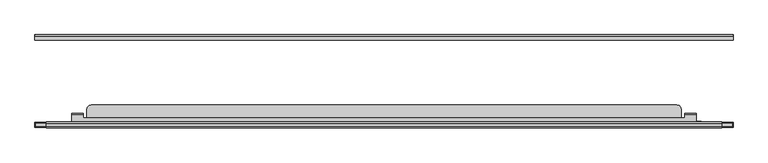
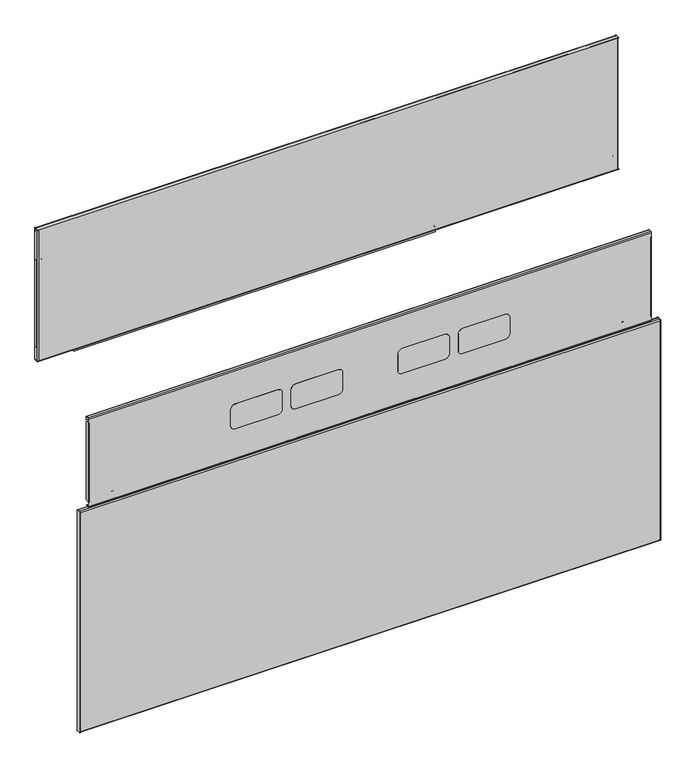
"""IFC4 building model written with IfcOpenShell, lengths in millimetres: furniture geometry."""

import ifcopenshell
import ifcopenshell.guid

model = None  # the IFC model being written
_history = None  # IfcOwnerHistory: only IFC2X3 demands one
_inside = {}  # id of a spatial element -> (the spatial element, [elements in it])
_under = {}  # id of a project, library or spatial element -> (it, [spatial elements below it])
_declared = {}  # id of a project -> (the project, [libraries it declares])
_typed = {}  # id of a type object -> (the type object, [elements of that type])
_made_of = {}  # id of a material, layer set ... -> (it, [elements and type objects made of it])


def new_model(schema):
    """Start an empty IFC model of exactly this schema.

    Asked for "IFC4X3", IfcOpenShell would pick the latest addendum, in which some entities
    have other attributes; the version numbers below select the first issue.
    IFC2X3 requires an IfcOwnerHistory on every rooted entity: one is made here for all.
    """
    global model, _history
    if schema == "IFC4X3":
        model = ifcopenshell.file(schema_version=(4, 3, 0, 0))
    else:
        model = ifcopenshell.file(schema=schema)
    _inside.clear()
    _under.clear()
    _declared.clear()
    _typed.clear()
    _made_of.clear()
    _history = None
    if model.schema == "IFC2X3":
        org = make("IfcOrganization", Name="unknown")
        user = make(
            "IfcPersonAndOrganization",
            ThePerson=make("IfcPerson", FamilyName="unknown"),
            TheOrganization=org,
        )
        app = make(
            "IfcApplication",
            ApplicationDeveloper=org,
            Version="unknown",
            ApplicationFullName="unknown",
            ApplicationIdentifier="unknown",
        )
        _history = make(
            "IfcOwnerHistory",
            OwningUser=user,
            OwningApplication=app,
            ChangeAction="ADDED",
            CreationDate=0,
        )
    return model


def make(cls, **values):
    """One entity of the class cls with the attributes given. An attribute that is None is left unset."""
    return model.create_entity(
        cls, **{name: value for name, value in values.items() if value is not None}
    )


def rooted(cls, **values):
    """An entity with a GlobalId (a new one), such as an element, a storey or a relation."""
    return make(cls, GlobalId=ifcopenshell.guid.new(), OwnerHistory=_history, **values)


def si_unit(unit_type, name, prefix=None):
    """IfcSIUnit, for example si_unit("LENGTHUNIT", "METRE", prefix="MILLI")."""
    return make("IfcSIUnit", UnitType=unit_type, Prefix=prefix, Name=name)


def assignment(units):
    """IfcUnitAssignment: the units of a project."""
    return None if units is None else make("IfcUnitAssignment", Units=units)


def point(xyz):
    """IfcCartesianPoint."""
    return None if xyz is None else make("IfcCartesianPoint", Coordinates=xyz)


def direction(xyz):
    """IfcDirection."""
    return None if xyz is None else make("IfcDirection", DirectionRatios=xyz)


def frame(location, z_axis=None, x_axis=None):
    """IfcAxis2Placement3D, a coordinate frame: its origin and axes. An axis left out is left unset."""
    return make(
        "IfcAxis2Placement3D",
        Location=point(location),
        Axis=direction(z_axis),
        RefDirection=direction(x_axis),
    )


def frame_2d(location, x_axis=None):
    """IfcAxis2Placement2D, a coordinate frame in the plane: its origin and x axis."""
    return make(
        "IfcAxis2Placement2D", Location=point(location), RefDirection=direction(x_axis)
    )


def origin():
    """The frame at (0, 0, 0) with its axes left unset."""
    return frame((0.0, 0.0, 0.0))


def place(relative_to, where):
    """IfcLocalPlacement: puts the frame where relative to a parent placement (None: the world)."""
    return make(
        "IfcLocalPlacement", PlacementRelTo=relative_to, RelativePlacement=where
    )


def context(
    kind, dimensions, precision=None, world=None, true_north=None, identifier=None
):
    """IfcGeometricRepresentationContext, for example the 3D "Model" context."""
    return make(
        "IfcGeometricRepresentationContext",
        ContextIdentifier=identifier,
        ContextType=kind,
        CoordinateSpaceDimension=dimensions,
        Precision=precision,
        WorldCoordinateSystem=world,
        TrueNorth=true_north,
    )


def project(units=None, contexts=None):
    """IfcProject with its units and contexts."""
    return rooted(
        "IfcProject",
        Name="project",
        RepresentationContexts=contexts,
        UnitsInContext=assignment(units),
    )


def spatial(cls, under=None, at=None, **own):
    """A site, building, storey or space (cls), placed at a placement, below another one or the project."""
    s = rooted(cls, ObjectPlacement=at, **own)
    if under is not None:
        _under.setdefault(under.id(), (under, []))[1].append(s)
    return s


def polyline(points):
    """IfcPolyline through the points."""
    return make("IfcPolyline", Points=[point(p) for p in points])


def circle_curve(where, radius):
    """IfcCircle in the frame where."""
    return make("IfcCircle", Position=where, Radius=radius)


def trimmed(basis, trim1, trim2, sense, master):
    """IfcTrimmedCurve: the piece of a basis curve between two trims."""
    return make(
        "IfcTrimmedCurve",
        BasisCurve=basis,
        Trim1=trim1,
        Trim2=trim2,
        SenseAgreement=sense,
        MasterRepresentation=master,
    )


def segment(curve, same_sense, transition):
    """IfcCompositeCurveSegment."""
    return make(
        "IfcCompositeCurveSegment",
        Transition=transition,
        SameSense=same_sense,
        ParentCurve=curve,
    )


def composite_curve(segments, self_intersect=None):
    """IfcCompositeCurve: segments joined end to end."""
    return make("IfcCompositeCurve", Segments=segments, SelfIntersect=self_intersect)


def outline(outer, holes=None, kind="AREA"):
    """IfcArbitraryClosedProfileDef: a profile drawn as a closed curve; with holes, ...WithVoids."""
    if holes is None:
        return make("IfcArbitraryClosedProfileDef", ProfileType=kind, OuterCurve=outer)
    return make(
        "IfcArbitraryProfileDefWithVoids",
        ProfileType=kind,
        OuterCurve=outer,
        InnerCurves=holes,
    )


def extrude(swept, where, along, depth):
    """IfcExtrudedAreaSolid: the profile swept, set in the frame where, extruded along a direction by depth."""
    return make(
        "IfcExtrudedAreaSolid",
        SweptArea=swept,
        Position=where,
        ExtrudedDirection=direction(along),
        Depth=depth,
    )


def shape(context_of_items, identifier, shape_type, items):
    """IfcShapeRepresentation: the items that make up one representation, for example the "Body"."""
    return make(
        "IfcShapeRepresentation",
        ContextOfItems=context_of_items,
        RepresentationIdentifier=identifier,
        RepresentationType=shape_type,
        Items=items,
    )


def source(mapping_origin, context_of_items, identifier, shape_type, items):
    """IfcRepresentationMap: a shape defined once, which mapped items show again and again."""
    return make(
        "IfcRepresentationMap",
        MappingOrigin=mapping_origin,
        MappedRepresentation=shape(context_of_items, identifier, shape_type, items),
    )


def transform(
    local_origin,
    x_axis=None,
    y_axis=None,
    z_axis=None,
    scale=None,
    scale2=None,
    scale3=None,
    uniform=True,
):
    """IfcCartesianTransformationOperator3D, or its non-uniform kind. x_axis, y_axis, z_axis: its Axis1, 2, 3."""
    if uniform:
        return make(
            "IfcCartesianTransformationOperator3D",
            Axis1=direction(x_axis),
            Axis2=direction(y_axis),
            LocalOrigin=point(local_origin),
            Scale=scale,
            Axis3=direction(z_axis),
        )
    return make(
        "IfcCartesianTransformationOperator3DnonUniform",
        Axis1=direction(x_axis),
        Axis2=direction(y_axis),
        LocalOrigin=point(local_origin),
        Scale=scale,
        Axis3=direction(z_axis),
        Scale2=scale2,
        Scale3=scale3,
    )


def mapped(mapping_source, mapping_target):
    """IfcMappedItem: shows the shape of a source again, moved by a transform."""
    return make(
        "IfcMappedItem", MappingSource=mapping_source, MappingTarget=mapping_target
    )


def made_of(thing, what):
    """Note that an element or type object is made of a material, layer set ...; save() writes the relation."""
    if what is not None:
        _made_of.setdefault(what.id(), (what, []))[1].append(thing)
    return thing


def element(
    cls,
    number,
    at=None,
    inside=None,
    cuts=None,
    type_object=None,
    material=None,
    context=None,
    identifier="Body",
    shape_type=None,
    held_by="IfcProductDefinitionShape",
    body=None,
    shapes=None,
    **own,
):
    """One element of the class cls, such as IfcWall. Its Tag is "e" and its number.

    at: its placement. inside: the storey or other place that contains it. cuts: it is an
    opening in that element (IfcRelVoidsElement). A single representation is given by context,
    identifier, shape_type and body (its items); several are given by shapes. held_by: the class
    of the entity that holds the representations. save() writes the other relations.
    """
    e = rooted(cls, Tag="e%d" % number, ObjectPlacement=at, **own)
    if body is not None:
        shapes = [shape(context, identifier, shape_type, body)]
    if shapes is not None:
        e.Representation = make(held_by, Representations=shapes)
    if inside is not None:
        _inside.setdefault(inside.id(), (inside, []))[1].append(e)
    if cuts is not None:
        rooted(
            "IfcRelVoidsElement", RelatingBuildingElement=cuts, RelatedOpeningElement=e
        )
    if type_object is not None:
        _typed.setdefault(type_object.id(), (type_object, []))[1].append(e)
    return made_of(e, material)


def aggregate(whole, parts):
    """IfcRelAggregates: a whole, such as a stair, and the parts it consists of."""
    return rooted("IfcRelAggregates", RelatingObject=whole, RelatedObjects=parts)


def save(model, path):
    """Write the relations noted so far, then the file.

    IfcRelAggregates (storeys below a building ...), IfcRelContainedInSpatialStructure (elements
    in a storey), IfcRelDefinesByType, IfcRelAssociatesMaterial and IfcRelDeclares: one each for
    every whole, place, type object, material and project.
    """
    for whole, parts in _under.values():
        aggregate(whole, parts)
    for where, things in _inside.values():
        rooted(
            "IfcRelContainedInSpatialStructure",
            RelatedElements=things,
            RelatingStructure=where,
        )
    for kind, things in _typed.values():
        rooted("IfcRelDefinesByType", RelatedObjects=things, RelatingType=kind)
    for what, things in _made_of.values():
        rooted("IfcRelAssociatesMaterial", RelatedObjects=things, RelatingMaterial=what)
    for by, libraries in _declared.values():
        rooted("IfcRelDeclares", RelatingContext=by, RelatedDefinitions=libraries)
    model.write(path)


def plane_surface(at):
    """IfcPlane: the flat surface through the origin of the frame at, square to its z axis."""
    return make("IfcPlane", Position=at)


def cylinder_surface(at, radius):
    """IfcCylindricalSurface: all points at the distance radius from the z axis of the frame at."""
    return make("IfcCylindricalSurface", Position=at, Radius=radius)


def revolved_surface(curve, axis_point, axis_direction):
    """IfcSurfaceOfRevolution: the curve turned about the line through axis_point along axis_direction."""
    return make(
        "IfcSurfaceOfRevolution",
        SweptCurve=make("IfcArbitraryOpenProfileDef", ProfileType="CURVE", Curve=curve),
        AxisPosition=make("IfcAxis1Placement", Location=point(axis_point), Axis=direction(axis_direction)),
    )


def advanced_brep(points, edges, surfaces, faces):
    """IfcAdvancedBrep: a solid bounded by faces that lie on surfaces and meet in shared edges.

    An edge is (start, end): straight between two places in points (the first is 0);
    or (start, end, curve); or (start, end, curve, False) where it runs against its curve.
    A face is (place in surfaces, loops), or (place, loops, False) where it looks against
    its surface's normal. A loop lists edges by number (the first is 1), with a minus sign
    where the edge is run from its end to its start. The first loop is the outer one.
    """
    corners = [point(p) for p in points]
    vertices = [make("IfcVertexPoint", VertexGeometry=c) for c in corners]
    made = []
    for start, end, *more in edges:
        made.append(
            make(
                "IfcEdgeCurve",
                EdgeStart=vertices[start],
                EdgeEnd=vertices[end],
                EdgeGeometry=more[0] if more else make("IfcPolyline", Points=[corners[start], corners[end]]),
                SameSense=more[1] if len(more) > 1 else True,
            )
        )
    hull = []
    for where, loops, *sense in faces:
        bounds = []
        for j, loop in enumerate(loops):
            ring = [make("IfcOrientedEdge", EdgeElement=made[abs(k) - 1], Orientation=k > 0) for k in loop]
            bounds.append(
                make(
                    "IfcFaceOuterBound" if j == 0 else "IfcFaceBound",
                    Bound=make("IfcEdgeLoop", EdgeList=ring),
                    Orientation=True,
                )
            )
        hull.append(make("IfcAdvancedFace", Bounds=bounds, FaceSurface=surfaces[where], SameSense=sense[0] if sense else True))
    return make("IfcAdvancedBrep", Outer=make("IfcClosedShell", CfsFaces=hull))


def furniture_37e803c3(model_context):
    return source(origin(), model_context, "Body", "SolidModel", [
        extrude(outline(composite_curve([segment(polyline([(734.9612073, 835.181298), (745.5290119, 835.181298)]), True, "CONTINUOUS"), segment(trimmed(circle_curve(frame_2d((745.5290119, 833.7491083)), 1.4321897), [point((745.5290119, 835.181298))], [point((746.9612016, 833.7491083))], False, "CARTESIAN"), True, "CONTINUOUS"), segment(polyline([(746.9612016, 833.7491083), (746.9612016, 80.9639054)]), True, "CONTINUOUS"), segment(trimmed(circle_curve(frame_2d((745.1433918, 80.9639054)), 1.8178098), [point((746.9612016, 80.9639054))], [point((745.1433918, 79.1460956))], False, "CARTESIAN"), True, "CONTINUOUS"), segment(polyline([(745.1433918, 79.1460956), (734.9612073, 79.1460956), (734.9612073, 835.181298)]), True, "CONTINUOUS")], self_intersect=False)), frame((0.0, -58.6781407, 0.0), z_axis=(0.0, 1.0, 0.0), x_axis=(0.0, 0.0, 1.0)), (0.0, 0.0, 1.0), 7.3431383),
        extrude(outline(composite_curve([segment(polyline([(825.6287108, 1206.1140982), (825.6287108, 1211.7031466), (775.0827409, 1211.7031466), (775.0827409, 1206.1140982), (771.6651662, 1206.1140982)]), True, "CONTINUOUS"), segment(trimmed(circle_curve(frame_2d((771.6651662, 1207.8180131)), 1.703915), [point((771.6651662, 1206.1140982))], [point((769.9612512, 1207.8180131))], False, "CARTESIAN"), True, "CONTINUOUS"), segment(polyline([(769.9612512, 1207.8180131), (769.9612512, 1217.1999767), (962.4612018, 1217.1999767), (962.4612018, 1208.3405455)]), True, "CONTINUOUS"), segment(trimmed(circle_curve(frame_2d((960.2347544, 1208.3405455)), 2.2264474), [point((962.4612018, 1208.3405455))], [point((960.2347544, 1206.1140982))], False, "CARTESIAN"), True, "CONTINUOUS"), segment(polyline([(960.2347544, 1206.1140982), (825.6287108, 1206.1140982)]), True, "CONTINUOUS")], self_intersect=False)), frame((0.0, -58.6781407, 0.0), z_axis=(0.0, 1.0, 0.0), x_axis=(0.0, 0.0, 1.0)), (0.0, 0.0, 1.0), 7.3431383),
        extrude(outline(composite_curve([segment(polyline([(825.6287108, 13.0121157), (960.9018888, 13.0121157)]), True, "CONTINUOUS"), segment(trimmed(circle_curve(frame_2d((960.9018888, 11.4528027)), 1.559313), [point((960.9018888, 13.0121157))], [point((962.4612018, 11.4528027))], False, "CARTESIAN"), True, "CONTINUOUS"), segment(polyline([(962.4612018, 11.4528027), (962.4612018, 1.9999956), (769.9612512, 1.9999956), (769.9612512, 11.6224928)]), True, "CONTINUOUS"), segment(trimmed(circle_curve(frame_2d((771.3508741, 11.6224928)), 1.3896229), [point((769.9612512, 11.6224928))], [point((771.3508741, 13.0121157))], False, "CARTESIAN"), True, "CONTINUOUS"), segment(polyline([(771.3508741, 13.0121157), (775.0827409, 13.0121157), (775.0827409, 7.423115), (825.6287108, 7.4231156), (825.6287108, 13.0121157)]), True, "CONTINUOUS")], self_intersect=False)), frame((0.0, -58.6781407, 0.0), z_axis=(0.0, 1.0, 0.0), x_axis=(0.0, 0.0, 1.0)), (0.0, 0.0, 1.0), 7.3431383),
        extrude(outline(polyline([(1217.1999767, -51.3350025), (1217.1999767, -60.8600025), (1.9999956, -60.8600025), (1.9999956, -51.3350025), (1217.1999767, -51.3350025)])), frame((0.0, 0.0, 740.3599691), z_axis=(0.0, 0.0, 1.0), x_axis=(1.0, 0.0, 0.0)), (0.0, 0.0, 1.0), 0.9118629),
        extrude(outline(composite_curve([segment(trimmed(circle_curve(frame_2d((-53.4811786, 1029.2138314)), 1.2343177), [point((-52.2468609, 1029.2138314))], [point((-53.4811786, 1030.4481491))], True, "CARTESIAN"), True, "CONTINUOUS"), segment(polyline([(-53.4811786, 1030.4481491), (-60.8600025, 1030.4481491), (-60.8600025, 1031.3600121), (-53.3140334, 1031.3600121)]), True, "CONTINUOUS"), segment(trimmed(circle_curve(frame_2d((-53.3140334, 1029.3809811)), 1.9790309), [point((-53.3140334, 1031.3600121))], [point((-51.3350025, 1029.3809811))], False, "CARTESIAN"), True, "CONTINUOUS"), segment(polyline([(-51.3350025, 1029.3809811), (-51.3350025, 1023.3599916), (-52.2468609, 1023.3599916), (-52.2468609, 1029.2138314)]), True, "CONTINUOUS")], self_intersect=False)), frame((1.9999956, 0.0, 0.0), z_axis=(1.0, 0.0, 0.0), x_axis=(0.0, 1.0, 0.0)), (0.0, 0.0, 1.0), 1215.1999811),
        extrude(outline(composite_curve([segment(polyline([(1.9999956, -51.3350025), (2.9118557, -51.3350025), (2.9118557, -58.8306579)]), True, "CONTINUOUS"), segment(trimmed(circle_curve(frame_2d((4.0293373, -58.8306579)), 1.1174816), [point((2.9118557, -58.8306579))], [point((4.0293373, -59.9481395))], True, "CARTESIAN"), True, "CONTINUOUS"), segment(polyline([(4.0293373, -59.9481395), (1214.8603013, -59.9481395)]), True, "CONTINUOUS"), segment(trimmed(circle_curve(frame_2d((1214.8603013, -58.5359447)), 1.4121948), [point((1214.8603013, -59.9481395))], [point((1216.272496, -58.5359447))], True, "CARTESIAN"), True, "CONTINUOUS"), segment(polyline([(1216.272496, -58.5359447), (1216.272496, -51.3350025), (1217.1999767, -51.3350025), (1217.1999767, -58.3200025)]), True, "CONTINUOUS"), segment(trimmed(circle_curve(frame_2d((1214.6599767, -58.3200025)), 2.54), [point((1217.1999767, -58.3200025))], [point((1214.6599767, -60.8600025))], False, "CARTESIAN"), True, "CONTINUOUS"), segment(polyline([(1214.6599767, -60.8600025), (4.2227561, -60.8600025)]), True, "CONTINUOUS"), segment(trimmed(circle_curve(frame_2d((4.2227561, -58.637242)), 2.2227605), [point((4.2227561, -60.8600025))], [point((1.9999956, -58.637242))], False, "CARTESIAN"), True, "CONTINUOUS"), segment(polyline([(1.9999956, -58.637242), (1.9999956, -51.3350025)]), True, "CONTINUOUS")], self_intersect=False)), frame((0.0, 0.0, 740.3599691), z_axis=(0.0, 0.0, 1.0), x_axis=(1.0, 0.0, 0.0)), (0.0, 0.0, 1.0), 291.0000429),
        extrude(outline(polyline([(590.7785834, -206.4751401), (590.7785834, -204.97654), (596.6459942, -204.97654), (598.1573118, -205.3814916), (599.2636396, -206.48784), (599.6685931, -207.9991398), (599.6685931, -209.3239397), (599.8727594, -210.0859401), (600.4306106, -210.6437628), (601.1925917, -210.8479399), (617.9917601, -210.8479399), (618.7537412, -210.6437628), (619.3115923, -210.0859401), (619.5157586, -209.3239397), (619.5157586, -207.9991398), (619.9207121, -206.48784), (621.0270399, -205.3814916), (622.5383575, -204.97654), (628.4057683, -204.97654), (628.4057683, -206.4751401), (622.5383575, -206.4751401), (621.7763401, -206.6793172), (621.2185253, -207.2371399), (621.014359, -207.9991398), (621.014359, -209.3239397), (620.6094055, -210.8352397), (619.5030414, -211.9415885), (617.9917601, -212.3465398), (601.1925917, -212.3465398), (599.6813104, -211.9415885), (598.5749462, -210.8352397), (598.1699927, -209.3239397), (598.1699927, -207.9991398), (597.9658264, -207.2371399), (597.4080116, -206.6793172), (596.6459942, -206.4751401), (590.7785834, -206.4751401)])), frame((0.0, 0.0, 13.511849), z_axis=(0.0, 0.0, 1.0), x_axis=(1.0, 0.0, 0.0)), (0.0, 0.0, 1.0), 465.0000042),
        extrude(outline(composite_curve([segment(polyline([(-206.0205708, 12.9809891), (-213.2583999, 12.9809891), (-213.2583999, 500.6190067), (-205.8612792, 500.6190067)]), True, "CONTINUOUS"), segment(trimmed(circle_curve(frame_2d((-205.8612792, 498.4911276)), 2.1278792), [point((-205.8612792, 500.6190067))], [point((-203.7334, 498.4911276))], False, "CARTESIAN"), True, "CONTINUOUS"), segment(polyline([(-203.7334, 498.4911276), (-203.7334, 15.2681599)]), True, "CONTINUOUS"), segment(trimmed(circle_curve(frame_2d((-206.0205708, 15.2681599)), 2.2871708), [point((-203.7334, 15.2681599))], [point((-206.0205708, 12.9809891))], False, "CARTESIAN"), True, "CONTINUOUS")], self_intersect=False)), frame((1216.272496, 0.0, 0.0), z_axis=(1.0, 0.0, 0.0), x_axis=(0.0, 1.0, 0.0)), (0.0, 0.0, 1.0), 0.9274807),
        extrude(outline(composite_curve([segment(polyline([(-206.0205708, 12.9809891), (-213.2583999, 12.9809891), (-213.2583999, 500.6190067), (-205.8612792, 500.6190067)]), True, "CONTINUOUS"), segment(trimmed(circle_curve(frame_2d((-205.8612792, 498.4911276)), 2.1278792), [point((-205.8612792, 500.6190067))], [point((-203.7334, 498.4911276))], False, "CARTESIAN"), True, "CONTINUOUS"), segment(polyline([(-203.7334, 498.4911276), (-203.7334, 15.2681599)]), True, "CONTINUOUS"), segment(trimmed(circle_curve(frame_2d((-206.0205708, 15.2681599)), 2.2871708), [point((-203.7334, 15.2681599))], [point((-206.0205708, 12.9809891))], False, "CARTESIAN"), True, "CONTINUOUS")], self_intersect=False)), frame((1.9999956, 0.0, 0.0), z_axis=(1.0, 0.0, 0.0), x_axis=(0.0, 1.0, 0.0)), (0.0, 0.0, 1.0), 0.9118601),
        extrude(outline(polyline([(76.8619872, 1216.272496), (437.5000033, 1216.272496), (437.5000033, 1204.150981), (207.099986, 1204.150981), (207.099986, 1209.7399812), (156.5539797, 1209.7399812), (156.5539797, 1204.150981), (76.8619872, 1204.150981), (76.8619872, 1216.272496)])), frame((0.0, -204.82433, 0.0), z_axis=(0.0, 1.0, 0.0), x_axis=(0.0, 0.0, 1.0)), (0.0, 0.0, 1.0), 0.7986162),
        extrude(outline(polyline([(76.8619872, 2.9118557), (76.8619872, 13.0489957), (156.5539797, 13.0489957), (156.5539797, 7.4599956), (207.099986, 7.4599956), (207.099986, 13.0489957), (437.5000033, 13.0489957), (437.5000033, 2.9118557), (76.8619872, 2.9118557)])), frame((0.0, -204.82433, 0.0), z_axis=(0.0, 1.0, 0.0), x_axis=(0.0, 0.0, 1.0)), (0.0, 0.0, 1.0), 0.7986162),
        extrude(outline(composite_curve([segment(trimmed(circle_curve(frame_2d((-206.0131195, 498.7202595)), 2.2797196), [point((-206.0131195, 500.9999791))], [point((-203.7334, 498.7202595))], False, "CARTESIAN"), True, "CONTINUOUS"), segment(polyline([(-203.7334, 498.7202595), (-203.7334, 486.0902061), (-204.64526, 486.0902061), (-204.64526, 498.7756083)]), True, "CONTINUOUS"), segment(trimmed(circle_curve(frame_2d((-205.9577679, 498.7756083)), 1.3125079), [point((-204.64526, 498.7756083))], [point((-205.9577679, 500.0881162))], True, "CARTESIAN"), True, "CONTINUOUS"), segment(polyline([(-205.9577679, 500.0881162), (-211.0778208, 500.0881162)]), True, "CONTINUOUS"), segment(trimmed(circle_curve(frame_2d((-211.0778208, 498.8193972)), 1.2687189), [point((-211.0778208, 500.0881162))], [point((-212.3465398, 498.8193972))], True, "CARTESIAN"), True, "CONTINUOUS"), segment(polyline([(-212.3465398, 498.8193972), (-212.3465398, 14.9389212)]), True, "CONTINUOUS"), segment(trimmed(circle_curve(frame_2d((-210.9194675, 14.9389212)), 1.4270722), [point((-212.3465398, 14.9389212))], [point((-210.9194675, 13.511849))], True, "CARTESIAN"), True, "CONTINUOUS"), segment(polyline([(-210.9194675, 13.511849), (-205.9776146, 13.511849)]), True, "CONTINUOUS"), segment(trimmed(circle_curve(frame_2d((-205.9776146, 14.8442036)), 1.3323546), [point((-205.9776146, 13.511849))], [point((-204.64526, 14.8442036))], True, "CARTESIAN"), True, "CONTINUOUS"), segment(polyline([(-204.64526, 14.8442036), (-204.64526, 24.5989482), (-203.7334, 24.5989482), (-203.7334, 14.8055187)]), True, "CONTINUOUS"), segment(trimmed(circle_curve(frame_2d((-205.9389292, 14.8055187)), 2.2055292), [point((-203.7334, 14.8055187))], [point((-205.9389292, 12.5999894))], False, "CARTESIAN"), True, "CONTINUOUS"), segment(polyline([(-205.9389292, 12.5999894), (-211.149738, 12.5999894)]), True, "CONTINUOUS"), segment(trimmed(circle_curve(frame_2d((-211.149738, 14.7086513)), 2.1086618), [point((-211.149738, 12.5999894))], [point((-213.2583999, 14.7086513))], False, "CARTESIAN"), True, "CONTINUOUS"), segment(polyline([(-213.2583999, 14.7086513), (-213.2583999, 498.8134963)]), True, "CONTINUOUS"), segment(trimmed(circle_curve(frame_2d((-211.0719171, 498.8134963)), 2.1864828), [point((-213.2583999, 498.8134963))], [point((-211.0719171, 500.9999791))], False, "CARTESIAN"), True, "CONTINUOUS"), segment(polyline([(-211.0719171, 500.9999791), (-206.0131195, 500.9999791)]), True, "CONTINUOUS")], self_intersect=False)), frame((2.9118557, 0.0, 0.0), z_axis=(1.0, 0.0, 0.0), x_axis=(0.0, 1.0, 0.0)), (0.0, 0.0, 1.0), 1213.3606403),
        advanced_brep(
        [(1152.8385851, -189.0734003, 484.7619804), (1152.8385851, -188.2141807, 484.7619804), (1152.8385851, -188.2141807, 502.7217435), (1152.8385851, -190.2544323, 504.7619951), (1152.8385851, -205.2802599, 504.7619951), (1152.8385851, -205.2802599, 503.9524031), (1152.8385851, -190.6453154, 503.9524031), (1152.8385851, -189.0734003, 502.380488), (66.3614013, -189.0734003, 484.7619804), (66.3614013, -189.0734003, 502.380488), (66.3614013, -190.6453154, 503.9524031), (66.3614013, -205.2802599, 503.9524031), (66.3614013, -205.2802599, 504.7619951), (66.3614013, -190.2544323, 504.7619951), (66.3614013, -188.2141807, 502.7217435), (66.3614013, -188.2141807, 484.7619804), (1132.8385704, -189.0734003, 484.7619804), (1132.8385704, -188.2141807, 484.7619804), (86.3614023, -188.2141807, 484.7619804), (86.3614023, -189.0734003, 484.7619804), (1132.8385704, -188.2141807, 502.7217435), (86.3614023, -188.2141807, 502.7217435), (1132.8385704, -190.2544323, 504.7619951), (86.3614023, -190.2544323, 504.7619951), (1132.8385704, -196.3134, 504.7619951), (86.3614023, -196.3134, 504.7619951), (86.3614023, -190.6453154, 503.9524031), (86.3614023, -196.3134, 503.9524031), (1132.8385704, -196.3134, 503.9524031), (1132.8385704, -190.6453154, 503.9524031), (1132.8385704, -189.0734003, 502.380488), (86.3614023, -189.0734003, 502.380488)],
        [
            (0, 1),
            (1, 2),
            (2, 3, circle_curve(frame((1152.8385851, -190.2544323, 502.7217435), z_axis=(1.0, 0.0, 0.0), x_axis=(0.0, 1.0, 0.0)), 2.0402516)),
            (3, 4),
            (4, 5),
            (5, 6),
            (6, 7, circle_curve(frame((1152.8385851, -190.6453154, 502.380488), z_axis=(-1.0, 0.0, 0.0), x_axis=(0.0, 1.0, 0.0)), 1.571915)),
            (7, 0),
            (8, 9),
            (9, 10, circle_curve(frame((66.3614013, -190.6453154, 502.380488), z_axis=(1.0, 0.0, 0.0), x_axis=(0.0, 1.0, 0.0)), 1.571915)),
            (10, 11),
            (11, 12),
            (12, 13),
            (13, 14, circle_curve(frame((66.3614013, -190.2544323, 502.7217435), z_axis=(-1.0, 0.0, 0.0), x_axis=(0.0, 1.0, 0.0)), 2.0402516)),
            (14, 15),
            (15, 8),
            (0, 16),
            (16, 17),
            (17, 1),
            (15, 18),
            (18, 19),
            (19, 8),
            (17, 20),
            (20, 2),
            (14, 21),
            (21, 18),
            (20, 22, circle_curve(frame((1132.8385704, -190.2544323, 502.7217435), z_axis=(1.0, 0.0, 0.0), x_axis=(0.0, 1.0, 0.0)), 2.0402516)),
            (22, 3),
            (13, 23),
            (23, 21, circle_curve(frame((86.3614023, -190.2544323, 502.7217435), z_axis=(-1.0, 0.0, 0.0), x_axis=(0.0, 1.0, 0.0)), 2.0402516)),
            (22, 24),
            (24, 25),
            (25, 23),
            (12, 4),
            (11, 5),
            (10, 26),
            (26, 27),
            (27, 28),
            (28, 29),
            (29, 6),
            (29, 30, circle_curve(frame((1132.8385704, -190.6453154, 502.380488), z_axis=(-1.0, 0.0, 0.0), x_axis=(0.0, 1.0, 0.0)), 1.571915)),
            (30, 7),
            (9, 31),
            (31, 26, circle_curve(frame((86.3614023, -190.6453154, 502.380488), z_axis=(1.0, 0.0, 0.0), x_axis=(0.0, 1.0, 0.0)), 1.571915)),
            (30, 16),
            (19, 31),
            (27, 25),
            (24, 28),
        ],
        [
            plane_surface(frame((1152.8385851, -189.0734003, 484.7619804), z_axis=(1.0, 0.0, 0.0), x_axis=(0.0, 1.0, 0.0))),
            plane_surface(frame((66.3614013, -189.0734003, 484.7619804), z_axis=(-1.0, 0.0, 0.0), x_axis=(0.0, -1.0, 0.0))),
            plane_surface(frame((1152.8385851, -189.0734003, 484.7619804), z_axis=(0.0, 0.0, -1.0), x_axis=(-1.0, 0.0, 0.0))),
            plane_surface(frame((1152.8385851, -188.2141807, 484.7619804), z_axis=(0.0, 1.0, 0.0), x_axis=(-1.0, 0.0, 0.0))),
            cylinder_surface(frame((66.3614013, -190.2544323, 502.7217435), z_axis=(1.0, 0.0, 0.0), x_axis=(0.0, 1.0, 0.0)), 2.0402516),
            plane_surface(frame((1152.8385851, -190.2544323, 504.7619951), z_axis=(0.0, 0.0, 1.0), x_axis=(-1.0, 0.0, 0.0))),
            plane_surface(frame((1152.8385851, -205.2802599, 504.7619951), z_axis=(0.0, -1.0, 0.0), x_axis=(-1.0, 0.0, 0.0))),
            plane_surface(frame((1152.8385851, -205.2802599, 503.9524031), z_axis=(0.0, 0.0, -1.0), x_axis=(-1.0, 0.0, 0.0))),
            revolved_surface(polyline([(1132.8385704, -189.0734004, 502.380488), (1152.8385851, -189.0734004, 502.380488)]), (66.3614013, -190.6453154, 502.380488), (-1.0, 0.0, 0.0)),
            revolved_surface(polyline([(66.3614013, -189.0734004, 502.380488), (86.3614023, -189.0734004, 502.380488)]), (66.3614013, -190.6453154, 502.380488), (-1.0, 0.0, 0.0)),
            plane_surface(frame((1152.8385851, -189.0734003, 502.380488), z_axis=(0.0, -1.0, 0.0), x_axis=(-1.0, 0.0, 0.0))),
            plane_surface(frame((86.3614023, -196.3134, 504.7619951), z_axis=(0.0, 1.0, 0.0), x_axis=(0.0, 0.0, -1.0))),
            plane_surface(frame((1132.8385704, -196.3134, 504.7619951), z_axis=(-1.0, 0.0, 0.0), x_axis=(0.0, 0.0, -1.0))),
            plane_surface(frame((86.3614023, -188.2141807, 504.7619951), z_axis=(1.0, 0.0, 0.0), x_axis=(0.0, 0.0, -1.0))),
        ],
        [
            (0, [[1, 2, 3, 4, 5, 6, 7, 8]]),
            (1, [[9, 10, 11, 12, 13, 14, 15, 16]]),
            (2, [[-1, 17, 18, 19]]),
            (2, [[-16, 20, 21, 22]]),
            (3, [[-2, -19, 23, 24]]),
            (3, [[-15, 25, 26, -20]]),
            (4, [[-3, -24, 27, 28]]),
            (4, [[-14, 29, 30, -25]]),
            (5, [[-4, -28, 31, 32, 33, -29, -13, 34]]),
            (6, [[-5, -34, -12, 35]]),
            (7, [[-6, -35, -11, 36, 37, 38, 39, 40]]),
            (8, [[-7, -40, 41, 42]]),
            (9, [[-10, 43, 44, -36]]),
            (10, [[-8, -42, 45, -17]]),
            (10, [[-9, -22, 46, -43]]),
            (11, [[47, -32, 48, -38]]),
            (12, [[-48, -31, -27, -23, -18, -45, -41, -39]]),
            (13, [[-47, -37, -44, -46, -21, -26, -30, -33]]),
        ],
    ),
        advanced_brep(
        [(1161.988608, -202.8234, 481.0000008), (1161.988608, -202.8234, 499.2323507), (1161.988608, -202.3166887, 500.0149173), (1161.988608, -202.3166887, 500.9515261), (1161.988608, -203.7334, 499.164291), (1161.988608, -203.7334, 481.0000008), (57.1999969, -203.7334, 481.0000008), (57.1999969, -203.7334, 499.164291), (57.1999969, -203.20254, 500.4554821), (57.1999969, -203.20254, 481.0000008), (66.3614013, -202.8234, 481.0000008), (66.3614013, -202.8234, 499.2323507), (66.3614013, -201.9657451, 500.0900056), (1150.8385846, -201.9657451, 500.0900056), (1150.8385846, -202.3166887, 500.0149173), (92.2113995, -181.7333994, 500.0900056), (93.2832, -177.7334005, 500.0900056), (96.2114006, -174.8051976, 500.0900056), (100.2114018, -173.7333994, 500.0900056), (1119.0721778, -173.7333994, 500.0900056), (1123.0721789, -174.8051976, 500.0900056), (1126.0003795, -177.7334005, 500.0900056), (1127.07218, -181.7333994, 500.0900056), (1127.07218, -196.3134, 500.0900056), (1150.8385846, -196.3134, 500.0900056), (66.3614013, -196.3134, 500.0900056), (92.2113995, -196.3134, 500.0900056), (100.2114018, -173.7333994, 500.9999791), (1119.0721778, -173.7333994, 500.9999791), (93.2832, -177.7334005, 500.9999791), (92.2113995, -181.7333994, 500.9999791), (92.2113995, -196.3134, 500.9999791), (66.3614013, -196.3134, 500.9999791), (66.3614013, -201.8977118, 500.9999791), (1150.8385846, -201.8977118, 500.9999791), (1150.8385846, -196.3134, 500.9999791), (1127.07218, -196.3134, 500.9999791), (1127.07218, -181.7333994, 500.9999791), (1126.0003795, -177.7334005, 500.9999791), (1123.0721789, -174.8051976, 500.9999791), (96.2114006, -174.8051976, 500.9999791), (1150.8385846, -202.3166887, 500.9515261), (66.3614013, -203.20254, 500.4554821), (66.3614013, -203.20254, 481.0000008)],
        [
            (0, 1),
            (1, 2, circle_curve(frame((1161.988608, -201.9657451, 499.2323507), z_axis=(-1.0, 0.0, 0.0), x_axis=(0.0, 1.0, 0.0)), 0.8576549)),
            (2, 3),
            (3, 4, circle_curve(frame((1161.988608, -201.8977118, 499.164291), z_axis=(1.0, 0.0, 0.0), x_axis=(0.0, 1.0, 0.0)), 1.8356882)),
            (4, 5),
            (5, 0),
            (6, 7),
            (7, 8, circle_curve(frame((57.1999969, -201.8977118, 499.164291), z_axis=(-1.0, 0.0, 0.0), x_axis=(0.0, 1.0, 0.0)), 1.8356882)),
            (8, 9),
            (9, 6),
            (0, 10),
            (10, 11),
            (11, 1),
            (11, 12, circle_curve(frame((66.3614013, -201.9657451, 499.2323507), z_axis=(-1.0, 0.0, 0.0), x_axis=(0.0, 1.0, 0.0)), 0.8576549)),
            (12, 13),
            (13, 14, circle_curve(frame((1150.8385846, -201.9657451, 499.2323507), z_axis=(1.0, 0.0, 0.0), x_axis=(0.0, 1.0, 0.0)), 0.8576549)),
            (14, 2),
            (15, 16),
            (16, 17),
            (17, 18),
            (18, 19),
            (19, 20),
            (20, 21),
            (21, 22),
            (22, 23),
            (23, 24),
            (24, 13),
            (12, 25),
            (25, 26),
            (26, 15),
            (18, 27),
            (27, 28),
            (28, 19),
            (29, 30),
            (30, 31),
            (31, 32),
            (32, 33),
            (33, 34),
            (34, 35),
            (35, 36),
            (36, 37),
            (37, 38),
            (38, 39),
            (39, 28),
            (27, 40),
            (40, 29),
            (7, 4),
            (3, 41),
            (41, 34, circle_curve(frame((1150.8385846, -201.8977118, 499.164291), z_axis=(-1.0, 0.0, 0.0), x_axis=(0.0, 1.0, 0.0)), 1.8356882)),
            (33, 42, circle_curve(frame((66.3614013, -201.8977118, 499.164291), z_axis=(1.0, 0.0, 0.0), x_axis=(0.0, 1.0, 0.0)), 1.8356882)),
            (42, 8),
            (6, 5),
            (9, 43),
            (43, 10),
            (15, 30),
            (29, 16),
            (40, 17),
            (42, 43),
            (32, 25),
            (31, 26),
            (21, 38),
            (37, 22),
            (20, 39),
            (14, 41),
            (24, 35),
            (23, 36),
        ],
        [
            plane_surface(frame((1161.988608, -202.8234, 494.4355179), z_axis=(1.0, 0.0, 0.0), x_axis=(0.0, 0.0, 1.0))),
            plane_surface(frame((57.1999969, -202.8234, 494.4355179), z_axis=(-1.0, 0.0, 0.0), x_axis=(0.0, 0.0, -1.0))),
            plane_surface(frame((1161.988608, -202.8234, 481.0000008), z_axis=(0.0, 1.0, 0.0), x_axis=(-1.0, 0.0, 0.0))),
            revolved_surface(polyline([(66.3614013, -201.1080902, 499.2323507), (1161.988608, -201.1080902, 499.2323507)]), (57.1999969, -201.9657451, 499.2323507), (-1.0, 0.0, 0.0)),
            plane_surface(frame((1161.988608, -201.9657451, 500.0900056), z_axis=(0.0, 0.0, -1.0), x_axis=(-1.0, 0.0, 0.0))),
            plane_surface(frame((1161.988608, -173.7333994, 500.0900056), z_axis=(0.0, 1.0, 0.0), x_axis=(-1.0, 0.0, 0.0))),
            plane_surface(frame((1161.988608, -173.7333994, 500.9999791), z_axis=(0.0, 0.0, 1.0), x_axis=(-1.0, 0.0, 0.0))),
            cylinder_surface(frame((57.1999969, -201.8977118, 499.164291), z_axis=(1.0, 0.0, 0.0), x_axis=(0.0, 1.0, 0.0)), 1.8356882),
            plane_surface(frame((1161.988608, -203.7334, 499.164291), z_axis=(0.0, -1.0, 0.0), x_axis=(-1.0, 0.0, 0.0))),
            plane_surface(frame((1161.988608, -203.7334, 481.0000008), z_axis=(0.0, 0.0, -1.0), x_axis=(-1.0, 0.0, 0.0))),
            plane_surface(frame((92.2113995, -181.7333994, 533.1392388), z_axis=(-0.9659255828324517, 0.2588199536932742, 0.0), x_axis=(0.0, 0.0, -1.0))),
            plane_surface(frame((93.2832, -177.7334005, 533.1392388), z_axis=(-0.707107055381215, 0.7071065069917737, 0.0), x_axis=(0.0, 0.0, -1.0))),
            plane_surface(frame((96.2114006, -174.8051976, 533.1392388), z_axis=(-0.25881930494190625, 0.9659257566652774, 0.0), x_axis=(0.0, 0.0, -1.0))),
            plane_surface(frame((57.2114011, -203.20254, 533.1392388), z_axis=(0.0, 1.0, 0.0), x_axis=(0.0, 0.0, -1.0))),
            plane_surface(frame((66.3614013, -203.20254, 533.1392388), z_axis=(-1.0, 0.0, 0.0), x_axis=(0.0, 0.0, -1.0))),
            plane_surface(frame((66.3614013, -196.3134, 533.1392388), z_axis=(0.0, 1.0, 0.0), x_axis=(0.0, 0.0, -1.0))),
            plane_surface(frame((92.2113995, -196.3134, 533.1392388), z_axis=(-1.0, 0.0, 0.0), x_axis=(0.0, 0.0, -1.0))),
            plane_surface(frame((1126.0003795, -177.7334005, 531.699196), z_axis=(0.9659255828324518, 0.258819953693274, 0.0), x_axis=(0.0, 0.0, -1.0))),
            plane_surface(frame((1123.0721789, -174.8051976, 531.699196), z_axis=(0.707107055381215, 0.7071065069917737, 0.0), x_axis=(0.0, 0.0, -1.0))),
            plane_surface(frame((1119.0721778, -173.7333994, 531.699196), z_axis=(0.25881930494190625, 0.9659257566652774, 0.0), x_axis=(0.0, 0.0, -1.0))),
            plane_surface(frame((1150.8385846, -202.3166887, 531.699196), z_axis=(0.0, 1.0, 0.0), x_axis=(0.0, 0.0, -1.0))),
            plane_surface(frame((1150.8385846, -196.3134, 531.699196), z_axis=(1.0, 0.0, 0.0), x_axis=(0.0, 0.0, -1.0))),
            plane_surface(frame((1127.07218, -196.3134, 531.699196), z_axis=(0.0, 1.0, 0.0), x_axis=(0.0, 0.0, -1.0))),
            plane_surface(frame((1127.07218, -181.7333994, 531.699196), z_axis=(1.0, 0.0, 0.0), x_axis=(0.0, 0.0, -1.0))),
        ],
        [
            (0, [[1, 2, 3, 4, 5, 6]]),
            (1, [[7, 8, 9, 10]]),
            (2, [[-1, 11, 12, 13]]),
            (3, [[-13, 14, 15, 16, 17, -2]]),
            (4, [[18, 19, 20, 21, 22, 23, 24, 25, 26, 27, -15, 28, 29, 30]]),
            (5, [[31, 32, 33, -21]]),
            (6, [[34, 35, 36, 37, 38, 39, 40, 41, 42, 43, 44, -32, 45, 46]]),
            (7, [[47, -4, 48, 49, -38, 50, 51, -8]]),
            (8, [[-5, -47, -7, 52]]),
            (9, [[-6, -52, -10, 53, 54, -11]]),
            (10, [[55, -34, 56, -18]]),
            (11, [[-56, -46, 57, -19]]),
            (12, [[-57, -45, -31, -20]]),
            (13, [[58, -53, -9, -51]]),
            (14, [[-58, -50, -37, 59, -28, -14, -12, -54]]),
            (15, [[-59, -36, 60, -29]]),
            (16, [[-55, -30, -60, -35]]),
            (17, [[61, -42, 62, -24]]),
            (18, [[-61, -23, 63, -43]]),
            (19, [[-63, -22, -33, -44]]),
            (20, [[64, -48, -3, -17]]),
            (21, [[-64, -16, -27, 65, -39, -49]]),
            (22, [[-65, -26, 66, -40]]),
            (23, [[-66, -25, -62, -41]]),
        ],
    ),
        extrude(outline(composite_curve([segment(polyline([(616.0389877, 317.758802), (580.6970512, 317.758802)]), True, "CONTINUOUS"), segment(trimmed(circle_curve(frame_2d((580.6970512, 327.294023)), 9.535221), [point((580.6970512, 317.758802))], [point((571.1618302, 327.294023))], False, "CARTESIAN"), True, "CONTINUOUS"), segment(polyline([(571.1618302, 327.294023), (571.1618302, 415.9669938)]), True, "CONTINUOUS"), segment(trimmed(circle_curve(frame_2d((580.9036446, 415.9669938)), 9.7418143), [point((571.1618302, 415.9669938))], [point((580.9036446, 425.7088081))], False, "CARTESIAN"), True, "CONTINUOUS"), segment(polyline([(580.9036446, 425.7088081), (616.7203082, 425.7088081)]), True, "CONTINUOUS"), segment(trimmed(circle_curve(frame_2d((616.7203082, 416.4032762)), 9.3055319), [point((616.7203082, 425.7088081))], [point((626.0258401, 416.4032762))], False, "CARTESIAN"), True, "CONTINUOUS"), segment(polyline([(626.0258401, 416.4032762), (626.0258401, 327.7456544)]), True, "CONTINUOUS"), segment(trimmed(circle_curve(frame_2d((616.0389877, 327.7456544)), 9.9868524), [point((626.0258401, 327.7456544))], [point((616.0389877, 317.758802))], False, "CARTESIAN"), True, "CONTINUOUS")], self_intersect=False)), frame((0.0, -213.6020823, 0.0), z_axis=(0.0, 1.0, 0.0), x_axis=(0.0, 0.0, 1.0)), (0.0, 0.0, 1.0), 0.2886826),
        extrude(outline(composite_curve([segment(polyline([(616.0389877, 444.0476051), (580.6970512, 444.0476051)]), True, "CONTINUOUS"), segment(trimmed(circle_curve(frame_2d((580.6970512, 453.5828261)), 9.535221), [point((580.6970512, 444.0476051))], [point((571.1618302, 453.5828261))], False, "CARTESIAN"), True, "CONTINUOUS"), segment(polyline([(571.1618302, 453.5828261), (571.1618302, 542.2557787)]), True, "CONTINUOUS"), segment(trimmed(circle_curve(frame_2d((580.9036446, 542.2557787)), 9.7418143), [point((571.1618302, 542.2557787))], [point((580.9036446, 551.997593))], False, "CARTESIAN"), True, "CONTINUOUS"), segment(polyline([(580.9036446, 551.997593), (616.7203082, 551.997593)]), True, "CONTINUOUS"), segment(trimmed(circle_curve(frame_2d((616.7203082, 542.6920611)), 9.3055319), [point((616.7203082, 551.997593))], [point((626.0258401, 542.6920611))], False, "CARTESIAN"), True, "CONTINUOUS"), segment(polyline([(626.0258401, 542.6920611), (626.0258401, 454.0344575)]), True, "CONTINUOUS"), segment(trimmed(circle_curve(frame_2d((616.0389877, 454.0344575)), 9.9868524), [point((626.0258401, 454.0344575))], [point((616.0389877, 444.0476051))], False, "CARTESIAN"), True, "CONTINUOUS")], self_intersect=False)), frame((0.0, -213.6020823, 0.0), z_axis=(0.0, 1.0, 0.0), x_axis=(0.0, 0.0, 1.0)), (0.0, 0.0, 1.0), 0.2886826),
        extrude(outline(composite_curve([segment(polyline([(616.0389877, 667.3851962), (580.6970512, 667.3851962)]), True, "CONTINUOUS"), segment(trimmed(circle_curve(frame_2d((580.6970512, 676.9204172)), 9.535221), [point((580.6970512, 667.3851962))], [point((571.1618302, 676.9204172))], False, "CARTESIAN"), True, "CONTINUOUS"), segment(polyline([(571.1618302, 676.9204172), (571.1618302, 765.5933698)]), True, "CONTINUOUS"), segment(trimmed(circle_curve(frame_2d((580.9036446, 765.5933698)), 9.7418143), [point((571.1618302, 765.5933698))], [point((580.9036446, 775.3351841))], False, "CARTESIAN"), True, "CONTINUOUS"), segment(polyline([(580.9036446, 775.3351841), (616.7203082, 775.3351841)]), True, "CONTINUOUS"), segment(trimmed(circle_curve(frame_2d((616.7203082, 766.0296522)), 9.3055319), [point((616.7203082, 775.3351841))], [point((626.0258401, 766.0296522))], False, "CARTESIAN"), True, "CONTINUOUS"), segment(polyline([(626.0258401, 766.0296522), (626.0258401, 677.3720486)]), True, "CONTINUOUS"), segment(trimmed(circle_curve(frame_2d((616.0389877, 677.3720486)), 9.9868524), [point((626.0258401, 677.3720486))], [point((616.0389877, 667.3851962))], False, "CARTESIAN"), True, "CONTINUOUS")], self_intersect=False)), frame((0.0, -213.6020823, 0.0), z_axis=(0.0, 1.0, 0.0), x_axis=(0.0, 0.0, 1.0)), (0.0, 0.0, 1.0), 0.2886826),
        extrude(outline(composite_curve([segment(polyline([(616.0389877, 793.6739811), (580.6970512, 793.6739811)]), True, "CONTINUOUS"), segment(trimmed(circle_curve(frame_2d((580.6970512, 803.2092021)), 9.535221), [point((580.6970512, 793.6739811))], [point((571.1618302, 803.2092021))], False, "CARTESIAN"), True, "CONTINUOUS"), segment(polyline([(571.1618302, 803.2092021), (571.1618302, 891.8821729)]), True, "CONTINUOUS"), segment(trimmed(circle_curve(frame_2d((580.9036446, 891.8821729)), 9.7418143), [point((571.1618302, 891.8821729))], [point((580.9036446, 901.6239872))], False, "CARTESIAN"), True, "CONTINUOUS"), segment(polyline([(580.9036446, 901.6239872), (616.7203082, 901.6239872)]), True, "CONTINUOUS"), segment(trimmed(circle_curve(frame_2d((616.7203082, 892.3184553)), 9.3055319), [point((616.7203082, 901.6239872))], [point((626.0258401, 892.3184553))], False, "CARTESIAN"), True, "CONTINUOUS"), segment(polyline([(626.0258401, 892.3184553), (626.0258401, 803.6608335)]), True, "CONTINUOUS"), segment(trimmed(circle_curve(frame_2d((616.0389877, 803.6608335)), 9.9868524), [point((626.0258401, 803.6608335))], [point((616.0389877, 793.6739811))], False, "CARTESIAN"), True, "CONTINUOUS")], self_intersect=False)), frame((0.0, -213.6020823, 0.0), z_axis=(0.0, 1.0, 0.0), x_axis=(0.0, 0.0, 1.0)), (0.0, 0.0, 1.0), 0.2886826),
        extrude(outline(composite_curve([segment(trimmed(circle_curve(frame_2d((-206.9291712, 686.8262094)), 3.1957713), [point((-206.9291712, 690.0219807))], [point((-203.7334, 686.8262094))], False, "CARTESIAN"), True, "CONTINUOUS"), segment(polyline([(-203.7334, 686.8262094), (-203.7334, 518.3179711)]), True, "CONTINUOUS"), segment(trimmed(circle_curve(frame_2d((-207.0693602, 518.3179711)), 3.3359602), [point((-203.7334, 518.3179711))], [point((-207.0693602, 514.9820108))], False, "CARTESIAN"), True, "CONTINUOUS"), segment(polyline([(-207.0693602, 514.9820108), (-213.3133997, 514.9820108), (-213.3133997, 690.0219807), (-206.9291712, 690.0219807)]), True, "CONTINUOUS")], self_intersect=False)), frame((1197.0225161, 0.0, 0.0), z_axis=(1.0, 0.0, 0.0), x_axis=(0.0, 1.0, 0.0)), (0.0, 0.0, 1.0), 0.8160839),
        extrude(outline(composite_curve([segment(trimmed(circle_curve(frame_2d((-206.9291712, 686.8262094)), 3.1957713), [point((-206.9291712, 690.0219807))], [point((-203.7334, 686.8262094))], False, "CARTESIAN"), True, "CONTINUOUS"), segment(polyline([(-203.7334, 686.8262094), (-203.7334, 518.3179711)]), True, "CONTINUOUS"), segment(trimmed(circle_curve(frame_2d((-207.0693602, 518.3179711)), 3.3359602), [point((-203.7334, 518.3179711))], [point((-207.0693602, 514.9820108))], False, "CARTESIAN"), True, "CONTINUOUS"), segment(polyline([(-207.0693602, 514.9820108), (-213.3133997, 514.9820108), (-213.3133997, 690.0219807), (-206.9291712, 690.0219807)]), True, "CONTINUOUS")], self_intersect=False)), frame((21.3614, 0.0, 0.0), z_axis=(1.0, 0.0, 0.0), x_axis=(0.0, 1.0, 0.0)), (0.0, 0.0, 1.0), 0.8160953),
        extrude(outline(composite_curve([segment(trimmed(circle_curve(frame_2d((-211.2812247, 505.9349516)), 1.1729565), [point((-212.4541812, 505.9349516))], [point((-211.2812247, 504.7619951))], True, "CARTESIAN"), True, "CONTINUOUS"), segment(polyline([(-211.2812247, 504.7619951), (-205.2802599, 504.7619951), (-205.2802599, 503.9524031), (-211.0210029, 503.9524031)]), True, "CONTINUOUS"), segment(trimmed(circle_curve(frame_2d((-211.0210029, 506.2447998)), 2.2923967), [point((-211.0210029, 503.9524031))], [point((-213.3133997, 506.2447998))], False, "CARTESIAN"), True, "CONTINUOUS"), segment(polyline([(-213.3133997, 506.2447998), (-213.3133997, 698.9356498)]), True, "CONTINUOUS"), segment(trimmed(circle_curve(frame_2d((-211.2470704, 698.9356498)), 2.0663293), [point((-213.3133997, 698.9356498))], [point((-211.2470704, 701.0019791))], False, "CARTESIAN"), True, "CONTINUOUS"), segment(polyline([(-211.2470704, 701.0019791), (-205.8421502, 701.0019791)]), True, "CONTINUOUS"), segment(trimmed(circle_curve(frame_2d((-205.8421502, 698.8591335)), 2.1428456), [point((-205.8421502, 701.0019791))], [point((-203.6993046, 698.8591335))], False, "CARTESIAN"), True, "CONTINUOUS"), segment(polyline([(-203.6993046, 698.8591335), (-203.6993046, 693.0032856), (-204.4934, 693.0032856), (-204.4934, 698.9068456)]), True, "CONTINUOUS"), segment(trimmed(circle_curve(frame_2d((-205.8285508, 698.9068456)), 1.3351508), [point((-204.4934, 698.9068456))], [point((-205.8285508, 700.2419964))], True, "CARTESIAN"), True, "CONTINUOUS"), segment(polyline([(-205.8285508, 700.2419964), (-211.1847197, 700.2419964)]), True, "CONTINUOUS"), segment(trimmed(circle_curve(frame_2d((-211.1847197, 698.9725349)), 1.2694615), [point((-211.1847197, 700.2419964))], [point((-212.4541812, 698.9725349))], True, "CARTESIAN"), True, "CONTINUOUS"), segment(polyline([(-212.4541812, 698.9725349), (-212.4541812, 505.9349516)]), True, "CONTINUOUS")], self_intersect=False)), frame((21.3614, 0.0, 0.0), z_axis=(1.0, 0.0, 0.0), x_axis=(0.0, 1.0, 0.0)), (0.0, 0.0, 1.0), 1176.4772),
    ])


if __name__ == "__main__":
    model = new_model("IFC4")
    model_context = context("Model", 3, world=origin())
    ifc_project = project(units=[si_unit("LENGTHUNIT", "METRE", prefix="MILLI")], contexts=[model_context])
    site = spatial("IfcSite", under=ifc_project)
    building = spatial("IfcBuilding", under=site)
    placement = place(None, origin())
    furniture_shape = furniture_37e803c3(model_context)
    element("IfcFurniture", 1, at=placement, inside=building, context=model_context, shape_type="MappedRepresentation", body=[
        mapped(furniture_shape, transform((0.0, 0.0, 0.0), x_axis=(1.0, 0.0, 0.0), y_axis=(0.0, 1.0, 0.0), z_axis=(0.0, 0.0, 1.0))),
    ])
    save(model, "model.ifc")
